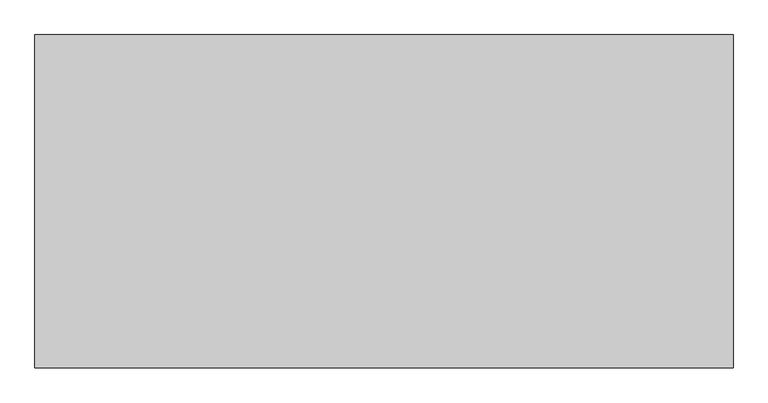
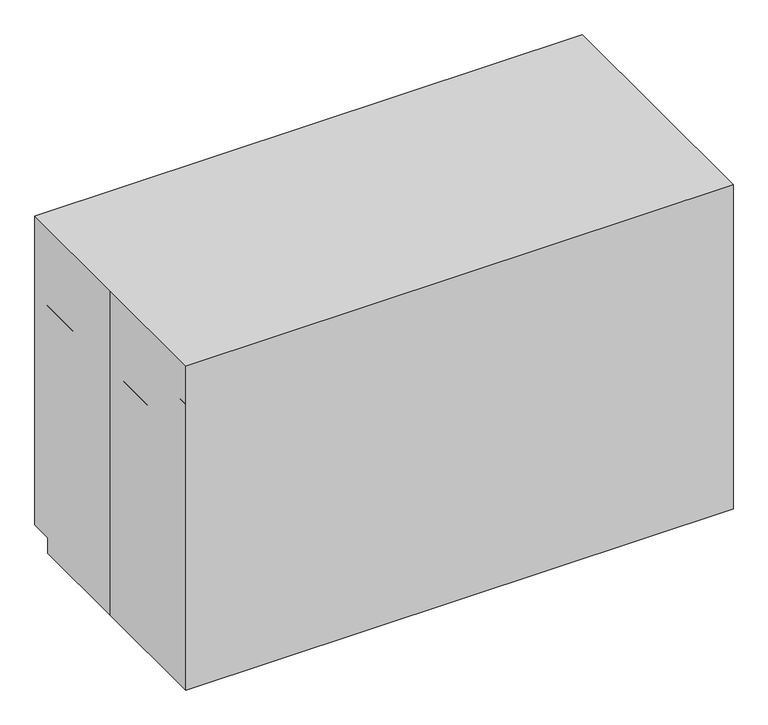
"""IFC4 building model written with IfcOpenShell, lengths in millimetres: proxy geometry."""

from ifc_helpers import new_model, si_unit, frame, origin, place, context, project, spatial, polyline, outline, extrude, faceted_brep, source, transform, mapped, element, save


def specialty_equipment_3007dffa(model_context):
    return source(origin(), model_context, "Body", "SolidModel", [
        extrude(outline(polyline([(19.05, 361.95), (811.7119528, 361.95), (811.7119528, -234.7440356), (19.05, -234.7440356), (19.05, 361.95)])), frame((0.0, 0.0, 812.8), z_axis=(0.0, 0.0, 1.0), x_axis=(1.0, 0.0, 0.0)), (0.0, 0.0, 1.0), 19.0381133),
        faceted_brep([(-850.9, -406.4, 1066.8), (850.9, -406.4, 1066.8), (850.9, 406.4, 1066.8), (-850.9, 406.4, 1066.8), (-850.9, 0.0, 1066.8), (-850.9, -406.4, 0.0), (-850.9, 0.0, 0.0), (-850.9, 336.55, 0.0), (850.9, 336.55, 0.0), (850.9, -406.4, 0.0), (-850.9, 406.4, 50.8), (-850.9, 336.55, 50.8), (850.9, 406.4, 50.8), (850.9, 336.55, 50.8)], [[[0, 1, 2, 3, 4]], [[5, 6, 7, 8, 9]], [[4, 6, 5, 0]], [[3, 10, 11, 7, 6, 4]], [[2, 12, 10, 3]], [[1, 9, 8, 13, 12, 2]], [[0, 5, 9, 1]], [[13, 8, 7, 11]], [[11, 10, 12, 13]]]),
        extrude(outline(polyline([(-400.05, 939.8), (-323.85, 939.8), (-273.05, 851.811819), (-273.05, 812.8), (-400.05, 812.8), (-400.05, 939.8)])), frame((-850.9, 0.0, 0.0), z_axis=(1.0, 0.0, 0.0), x_axis=(0.0, 1.0, 0.0)), (0.0, 0.0, 1.0), 1701.8),
        extrude(outline(polyline([(-19.05, -234.7440356), (-811.7119528, -234.7440356), (-811.7119528, 361.95), (-19.05, 361.95), (-19.05, -234.7440356)])), frame((0.0, 0.0, 812.8), z_axis=(0.0, 0.0, 1.0), x_axis=(1.0, 0.0, 0.0)), (0.0, 0.0, 1.0), 19.0381133),
        extrude(outline(polyline([(400.05, 812.8), (400.05, 50.8), (336.55, 50.8), (336.55, 0.0), (-400.05, 0.0), (-400.05, 812.8), (400.05, 812.8)])), frame((-850.9, 0.0, 0.0), z_axis=(1.0, 0.0, 0.0), x_axis=(0.0, 1.0, 0.0)), (0.0, 0.0, 1.0), 1701.8),
    ])


if __name__ == "__main__":
    model = new_model("IFC4")
    model_context = context("Model", 3, world=origin())
    ifc_project = project(units=[si_unit("LENGTHUNIT", "METRE", prefix="MILLI")], contexts=[model_context])
    site = spatial("IfcSite", under=ifc_project)
    building = spatial("IfcBuilding", under=site)
    placement = place(None, origin())
    specialty_equipment_shape = specialty_equipment_3007dffa(model_context)
    element("IfcBuildingElementProxy", 1, Name="Specialty Equipment", at=placement, inside=building, context=model_context, shape_type="MappedRepresentation", body=[
        mapped(specialty_equipment_shape, transform((0.0, 0.0, 0.0), x_axis=(1.0, 0.0, 0.0), y_axis=(0.0, 1.0, 0.0), z_axis=(0.0, 0.0, 1.0))),
    ])
    save(model, "model.ifc")
